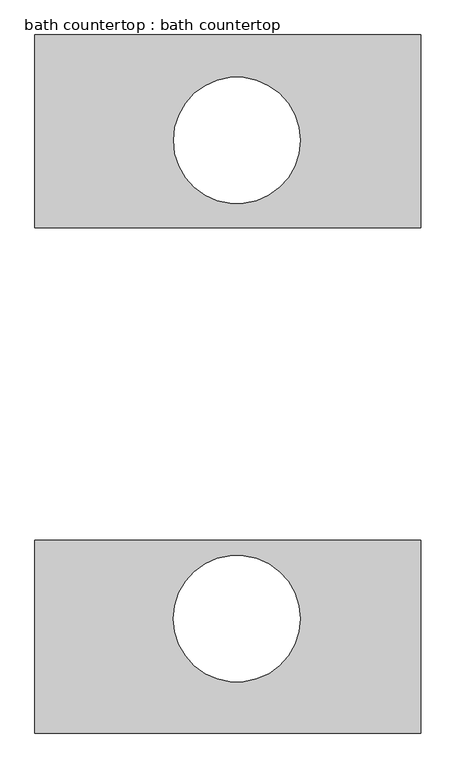
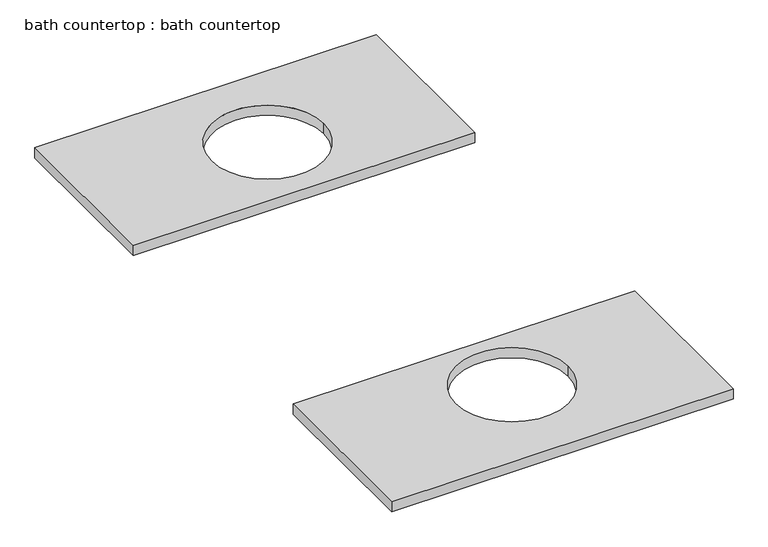
"""IFC4 building model written with IfcOpenShell, lengths in millimetres: proxy geometry, bath countertop : bath countertop."""

from ifc_helpers import new_model, si_unit, point, frame, frame_2d, origin, place, context, project, spatial, polyline, circle_curve, trimmed, segment, composite_curve, outline, extrude, source, transform, mapped, element, save


def bath_countertop_bath_countertop_03ef8d5d(model_context):
    return source(origin(), model_context, "Body", "SweptSolid", [
        extrude(outline(polyline([(-4401.7380005, 9624.7046464), (-5620.9380005, 9624.7046464), (-5620.9380005, 10234.3046464), (-4401.7380005, 10234.3046464), (-4401.7380005, 9624.7046464)]), holes=[composite_curve([segment(trimmed(circle_curve(frame_2d((-4982.7630005, 9900.9296464)), 200.0), [point((-5182.7630005, 9900.9296464))], [point((-4782.7630005, 9900.9296464))], True, "CARTESIAN"), True, "CONTINUOUS"), segment(trimmed(circle_curve(frame_2d((-4982.7630005, 9900.9296464)), 200.0), [point((-4782.7630005, 9900.9296464))], [point((-5182.7630005, 9900.9296464))], True, "CARTESIAN"), True, "CONTINUOUS")], self_intersect=False)]), frame((0.0, 0.0, 3797.3), z_axis=(0.0, 0.0, 1.0), x_axis=(1.0, 0.0, 0.0)), (0.0, 0.0, 1.0), 38.1),
        extrude(outline(polyline([(-4401.7380005, 8637.2796464), (-4401.7380005, 8027.6796464), (-5620.9380005, 8027.6796464), (-5620.9380005, 8637.2796464), (-4401.7380005, 8637.2796464)]), holes=[composite_curve([segment(trimmed(circle_curve(frame_2d((-4982.7630005, 8389.2595858)), 200.3296559), [point((-5183.0926564, 8389.2595858))], [point((-4782.4333447, 8389.2595858))], True, "CARTESIAN"), True, "CONTINUOUS"), segment(trimmed(circle_curve(frame_2d((-4982.7630005, 8389.2595858)), 200.3296559), [point((-4782.4333447, 8389.2595858))], [point((-5183.0926564, 8389.2595858))], True, "CARTESIAN"), True, "CONTINUOUS")], self_intersect=False)]), frame((0.0, 0.0, 3797.3), z_axis=(0.0, 0.0, 1.0), x_axis=(1.0, 0.0, 0.0)), (0.0, 0.0, 1.0), 38.1),
    ])


if __name__ == "__main__":
    model = new_model("IFC4")
    model_context = context("Model", 3, world=origin())
    ifc_project = project(units=[si_unit("LENGTHUNIT", "METRE", prefix="MILLI")], contexts=[model_context])
    site = spatial("IfcSite", under=ifc_project)
    building = spatial("IfcBuilding", under=site)
    placement = place(None, origin())
    bath_countertop_bath_countertop_shape = bath_countertop_bath_countertop_03ef8d5d(model_context)
    element("IfcBuildingElementProxy", 1, Name="bath countertop : bath countertop", ObjectType="bath countertop : bath countertop", at=placement, inside=building, context=model_context, shape_type="MappedRepresentation", body=[
        mapped(bath_countertop_bath_countertop_shape, transform((0.0, 0.0, 0.0), x_axis=(1.0, 0.0, 0.0), y_axis=(0.0, 1.0, 0.0), z_axis=(0.0, 0.0, 1.0))),
    ])
    save(model, "model.ifc")
